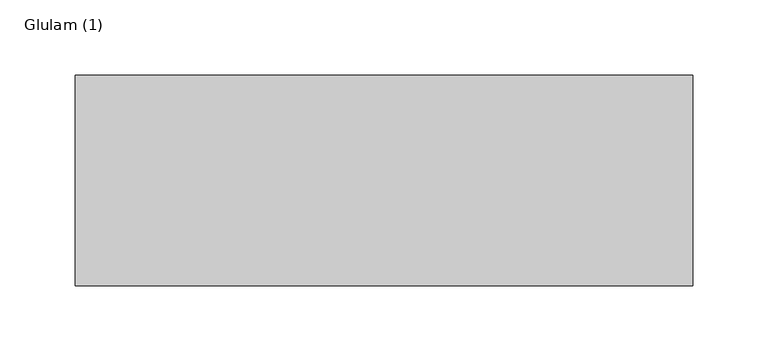
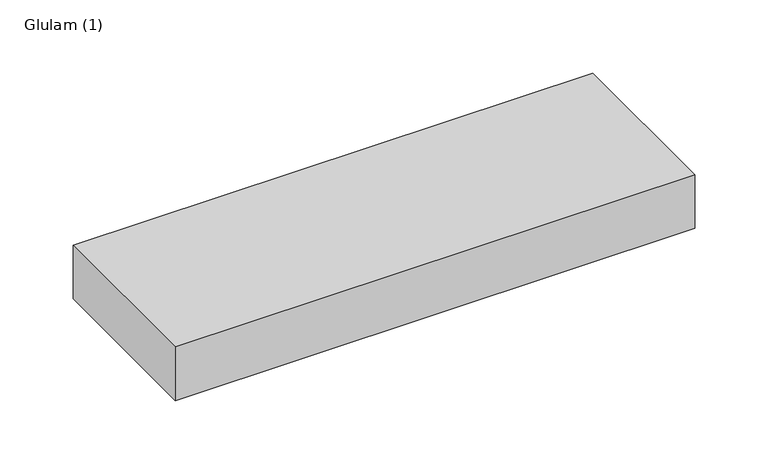
"""IFC4 building model written with IfcOpenShell, lengths in millimetres: beam geometry, Glulam (1)."""

from ifc_helpers import new_model, si_unit, frame, origin, place, context, project, spatial, polyline, outline, extrude, source, transform, mapped, element, save


def glulam_1_a1ec153e(model_context):
    return source(origin(), model_context, "Body", "SweptSolid", [
        extrude(outline(polyline([(205.5, 70.0), (205.5, -70.0), (-205.5, -70.0), (-205.5, 70.0), (205.5, 70.0)])), frame((0.0, 0.0, -22.5), z_axis=(0.0, 0.0, 1.0), x_axis=(1.0, 0.0, 0.0)), (0.0, 0.0, 1.0), 45.0),
    ])


if __name__ == "__main__":
    model = new_model("IFC4")
    model_context = context("Model", 3, world=origin())
    ifc_project = project(units=[si_unit("LENGTHUNIT", "METRE", prefix="MILLI")], contexts=[model_context])
    site = spatial("IfcSite", under=ifc_project)
    building = spatial("IfcBuilding", under=site)
    placement = place(None, origin())
    glulam_1_shape = glulam_1_a1ec153e(model_context)
    element("IfcBeam", 1, ObjectType="Glulam (1)", at=placement, inside=building, context=model_context, shape_type="MappedRepresentation", body=[
        mapped(glulam_1_shape, transform((0.0, 0.0, 0.0), x_axis=(1.0, 0.0, 0.0), y_axis=(0.0, 1.0, 0.0), z_axis=(0.0, 0.0, 1.0))),
    ])
    save(model, "model.ifc")
